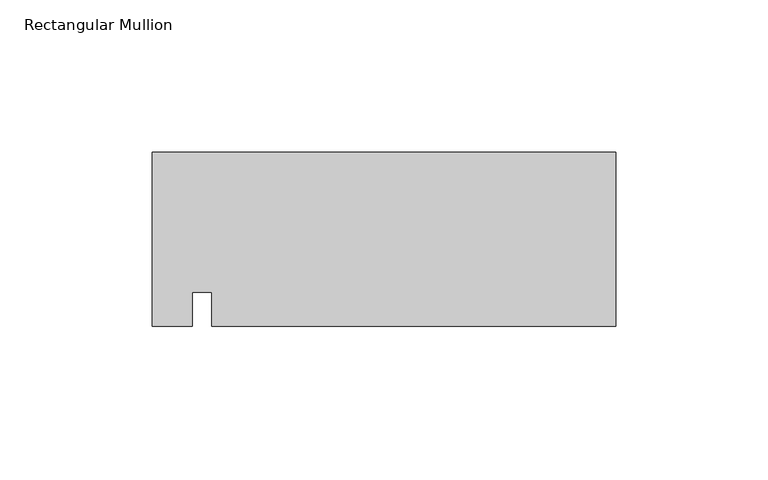
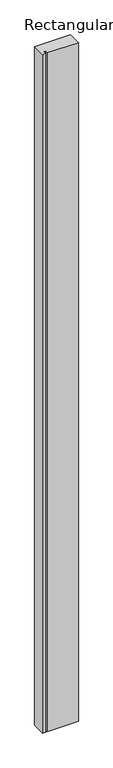
"""IFC4 building model written with IfcOpenShell, lengths in millimetres: member geometry, Rectangular Mullion."""

from ifc_helpers import new_model, si_unit, frame, origin, place, context, project, spatial, polyline, outline, extrude, source, transform, mapped, element, save


def rectangular_mullion_b917ca8b(model_context):
    return source(origin(), model_context, "Body", "SweptSolid", [
        extrude(outline(polyline([(-152.4, -28.575), (-152.4, 28.575), (0.0, 28.575), (0.0, -28.575), (-132.8468107, -28.575), (-132.8468107, -17.4625), (-139.1968107, -17.4625), (-139.1968107, -28.575), (-152.4, -28.575)])), frame((0.0, 0.0, -3048.0), z_axis=(0.0, 0.0, 1.0), x_axis=(1.0, 0.0, 0.0)), (0.0, 0.0, 1.0), 3048.0),
    ])


if __name__ == "__main__":
    model = new_model("IFC4")
    model_context = context("Model", 3, world=origin())
    ifc_project = project(units=[si_unit("LENGTHUNIT", "METRE", prefix="MILLI")], contexts=[model_context])
    site = spatial("IfcSite", under=ifc_project)
    building = spatial("IfcBuilding", under=site)
    placement = place(None, origin())
    rectangular_mullion_shape = rectangular_mullion_b917ca8b(model_context)
    element("IfcMember", 1, ObjectType="Rectangular Mullion", at=placement, inside=building, context=model_context, shape_type="MappedRepresentation", body=[
        mapped(rectangular_mullion_shape, transform((0.0, 0.0, 0.0), x_axis=(1.0, 0.0, 0.0), y_axis=(0.0, 1.0, 0.0), z_axis=(0.0, 0.0, 1.0))),
    ])
    save(model, "model.ifc")
